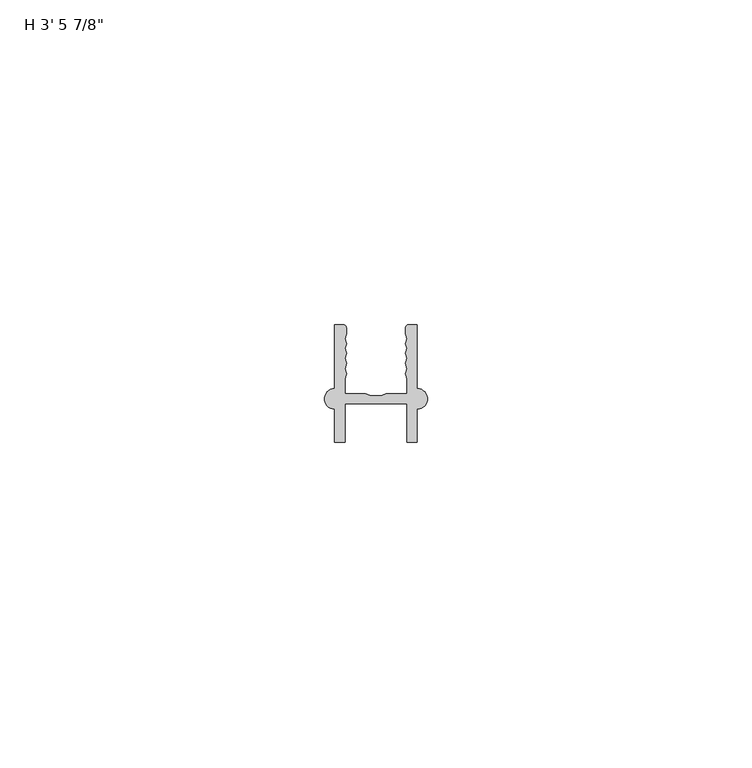
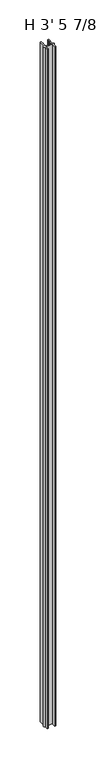
"""IFC4 building model written with IfcOpenShell, lengths in millimetres: proxy geometry."""

from ifc_helpers import new_model, si_unit, point, frame_2d, origin, origin_with_axes, place, context, project, spatial, polyline, circle_curve, trimmed, segment, composite_curve, outline, extrude, source, transform, mapped, element, save


def proxy_66a23562(model_context):
    return source(origin(), model_context, "Body", "SweptSolid", [
        extrude(outline(composite_curve([segment(polyline([(1.5875, 8.249782), (1.5875, 18.085932), (2.8080426, 18.085932)]), True, "CONTINUOUS"), segment(trimmed(circle_curve(frame_2d((2.8080426, 17.4877721)), 0.5981599), [point((2.8080426, 18.085932))], [point((3.4062025, 17.4877721))], False, "CARTESIAN"), True, "CONTINUOUS"), segment(polyline([(3.4062025, 17.4877721), (3.4062025, 16.6930116), (3.1452081, 15.9350289), (3.4062025, 15.1770461), (3.1452081, 14.4190633), (3.4062025, 13.6610805), (3.1452081, 12.9030978), (3.4062025, 12.145115), (3.1452081, 11.287131), (3.4062025, 10.5291482), (3.175, 9.769101), (3.175, 7.424282), (6.35, 7.424282), (7.1888169, 7.1691181), (8.6861831, 7.1691181), (9.525, 7.424282), (12.7, 7.424282), (12.7, 9.769101), (12.4687975, 10.5291482), (12.7297919, 11.287131), (12.4687975, 12.145115), (12.7297919, 12.9030978), (12.4687975, 13.6610805), (12.7297919, 14.4190633), (12.4687975, 15.1770461), (12.7297919, 15.9350289), (12.4687975, 16.6930116), (12.4687975, 17.4877721)]), True, "CONTINUOUS"), segment(trimmed(circle_curve(frame_2d((13.0669574, 17.4877721)), 0.5981599), [point((12.4687975, 17.4877721))], [point((13.0669574, 18.085932))], False, "CARTESIAN"), True, "CONTINUOUS"), segment(polyline([(13.0669574, 18.085932), (14.2875, 18.085932), (14.2875, 8.249782)]), True, "CONTINUOUS"), segment(trimmed(circle_curve(frame_2d((14.2875, 6.662282)), 1.5875), [point((14.2875, 8.249782))], [point((14.2875, 5.074782))], False, "CARTESIAN"), True, "CONTINUOUS"), segment(polyline([(14.2875, 5.074782), (14.2875, 0.0), (12.7, 0.0), (12.7, 5.900282), (3.175, 5.900282), (3.175, 0.0), (1.5875, 0.0), (1.5875, 5.074782)]), True, "CONTINUOUS"), segment(trimmed(circle_curve(frame_2d((1.5875, 6.662282)), 1.5875), [point((1.5875, 5.074782))], [point((1.5875, 8.249782))], False, "CARTESIAN"), True, "CONTINUOUS")], self_intersect=False)), origin_with_axes(), (0.0, 0.0, 1.0), 1063.625),
    ])


if __name__ == "__main__":
    model = new_model("IFC4")
    model_context = context("Model", 3, world=origin())
    ifc_project = project(units=[si_unit("LENGTHUNIT", "METRE", prefix="MILLI")], contexts=[model_context])
    site = spatial("IfcSite", under=ifc_project)
    building = spatial("IfcBuilding", under=site)
    placement = place(None, origin())
    proxy_shape = proxy_66a23562(model_context)
    element("IfcBuildingElementProxy", 1, Name="H 3' 5 7/8\"", ObjectType="H 3' 5 7/8\"", at=placement, inside=building, context=model_context, shape_type="MappedRepresentation", body=[
        mapped(proxy_shape, transform((0.0, 0.0, 0.0), x_axis=(1.0, 0.0, 0.0), y_axis=(0.0, 1.0, 0.0), z_axis=(0.0, 0.0, 1.0))),
    ])
    save(model, "model.ifc")
